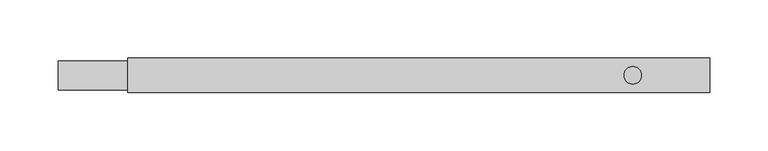
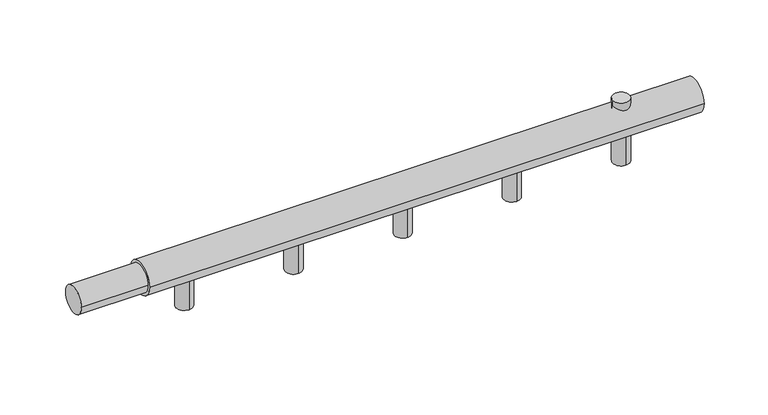
"""IFC4 building model written with IfcOpenShell, lengths in millimetres: proxy geometry."""

import ifcopenshell
import ifcopenshell.guid

model = None  # the IFC model being written
_history = None  # IfcOwnerHistory: only IFC2X3 demands one
_inside = {}  # id of a spatial element -> (the spatial element, [elements in it])
_under = {}  # id of a project, library or spatial element -> (it, [spatial elements below it])
_declared = {}  # id of a project -> (the project, [libraries it declares])
_typed = {}  # id of a type object -> (the type object, [elements of that type])
_made_of = {}  # id of a material, layer set ... -> (it, [elements and type objects made of it])


def new_model(schema):
    """Start an empty IFC model of exactly this schema.

    Asked for "IFC4X3", IfcOpenShell would pick the latest addendum, in which some entities
    have other attributes; the version numbers below select the first issue.
    IFC2X3 requires an IfcOwnerHistory on every rooted entity: one is made here for all.
    """
    global model, _history
    if schema == "IFC4X3":
        model = ifcopenshell.file(schema_version=(4, 3, 0, 0))
    else:
        model = ifcopenshell.file(schema=schema)
    _inside.clear()
    _under.clear()
    _declared.clear()
    _typed.clear()
    _made_of.clear()
    _history = None
    if model.schema == "IFC2X3":
        org = make("IfcOrganization", Name="unknown")
        user = make(
            "IfcPersonAndOrganization",
            ThePerson=make("IfcPerson", FamilyName="unknown"),
            TheOrganization=org,
        )
        app = make(
            "IfcApplication",
            ApplicationDeveloper=org,
            Version="unknown",
            ApplicationFullName="unknown",
            ApplicationIdentifier="unknown",
        )
        _history = make(
            "IfcOwnerHistory",
            OwningUser=user,
            OwningApplication=app,
            ChangeAction="ADDED",
            CreationDate=0,
        )
    return model


def make(cls, **values):
    """One entity of the class cls with the attributes given. An attribute that is None is left unset."""
    return model.create_entity(
        cls, **{name: value for name, value in values.items() if value is not None}
    )


def rooted(cls, **values):
    """An entity with a GlobalId (a new one), such as an element, a storey or a relation."""
    return make(cls, GlobalId=ifcopenshell.guid.new(), OwnerHistory=_history, **values)


def si_unit(unit_type, name, prefix=None):
    """IfcSIUnit, for example si_unit("LENGTHUNIT", "METRE", prefix="MILLI")."""
    return make("IfcSIUnit", UnitType=unit_type, Prefix=prefix, Name=name)


def assignment(units):
    """IfcUnitAssignment: the units of a project."""
    return None if units is None else make("IfcUnitAssignment", Units=units)


def point(xyz):
    """IfcCartesianPoint."""
    return None if xyz is None else make("IfcCartesianPoint", Coordinates=xyz)


def direction(xyz):
    """IfcDirection."""
    return None if xyz is None else make("IfcDirection", DirectionRatios=xyz)


def frame(location, z_axis=None, x_axis=None):
    """IfcAxis2Placement3D, a coordinate frame: its origin and axes. An axis left out is left unset."""
    return make(
        "IfcAxis2Placement3D",
        Location=point(location),
        Axis=direction(z_axis),
        RefDirection=direction(x_axis),
    )


def frame_2d(location, x_axis=None):
    """IfcAxis2Placement2D, a coordinate frame in the plane: its origin and x axis."""
    return make(
        "IfcAxis2Placement2D", Location=point(location), RefDirection=direction(x_axis)
    )


def origin():
    """The frame at (0, 0, 0) with its axes left unset."""
    return frame((0.0, 0.0, 0.0))


def origin_with_axes():
    """The frame at (0, 0, 0) with the z axis (0, 0, 1) and the x axis (1, 0, 0) written out."""
    return frame((0.0, 0.0, 0.0), z_axis=(0.0, 0.0, 1.0), x_axis=(1.0, 0.0, 0.0))


def origin_2d():
    """The frame at (0, 0) in the plane with its x axis left unset."""
    return frame_2d((0.0, 0.0))


def place(relative_to, where):
    """IfcLocalPlacement: puts the frame where relative to a parent placement (None: the world)."""
    return make(
        "IfcLocalPlacement", PlacementRelTo=relative_to, RelativePlacement=where
    )


def context(
    kind, dimensions, precision=None, world=None, true_north=None, identifier=None
):
    """IfcGeometricRepresentationContext, for example the 3D "Model" context."""
    return make(
        "IfcGeometricRepresentationContext",
        ContextIdentifier=identifier,
        ContextType=kind,
        CoordinateSpaceDimension=dimensions,
        Precision=precision,
        WorldCoordinateSystem=world,
        TrueNorth=true_north,
    )


def project(units=None, contexts=None):
    """IfcProject with its units and contexts."""
    return rooted(
        "IfcProject",
        Name="project",
        RepresentationContexts=contexts,
        UnitsInContext=assignment(units),
    )


def spatial(cls, under=None, at=None, **own):
    """A site, building, storey or space (cls), placed at a placement, below another one or the project."""
    s = rooted(cls, ObjectPlacement=at, **own)
    if under is not None:
        _under.setdefault(under.id(), (under, []))[1].append(s)
    return s


def circle_curve(where, radius):
    """IfcCircle in the frame where."""
    return make("IfcCircle", Position=where, Radius=radius)


def trimmed(basis, trim1, trim2, sense, master):
    """IfcTrimmedCurve: the piece of a basis curve between two trims."""
    return make(
        "IfcTrimmedCurve",
        BasisCurve=basis,
        Trim1=trim1,
        Trim2=trim2,
        SenseAgreement=sense,
        MasterRepresentation=master,
    )


def segment(curve, same_sense, transition):
    """IfcCompositeCurveSegment."""
    return make(
        "IfcCompositeCurveSegment",
        Transition=transition,
        SameSense=same_sense,
        ParentCurve=curve,
    )


def composite_curve(segments, self_intersect=None):
    """IfcCompositeCurve: segments joined end to end."""
    return make("IfcCompositeCurve", Segments=segments, SelfIntersect=self_intersect)


def outline(outer, holes=None, kind="AREA"):
    """IfcArbitraryClosedProfileDef: a profile drawn as a closed curve; with holes, ...WithVoids."""
    if holes is None:
        return make("IfcArbitraryClosedProfileDef", ProfileType=kind, OuterCurve=outer)
    return make(
        "IfcArbitraryProfileDefWithVoids",
        ProfileType=kind,
        OuterCurve=outer,
        InnerCurves=holes,
    )


def extrude(swept, where, along, depth):
    """IfcExtrudedAreaSolid: the profile swept, set in the frame where, extruded along a direction by depth."""
    return make(
        "IfcExtrudedAreaSolid",
        SweptArea=swept,
        Position=where,
        ExtrudedDirection=direction(along),
        Depth=depth,
    )


def shape(context_of_items, identifier, shape_type, items):
    """IfcShapeRepresentation: the items that make up one representation, for example the "Body"."""
    return make(
        "IfcShapeRepresentation",
        ContextOfItems=context_of_items,
        RepresentationIdentifier=identifier,
        RepresentationType=shape_type,
        Items=items,
    )


def source(mapping_origin, context_of_items, identifier, shape_type, items):
    """IfcRepresentationMap: a shape defined once, which mapped items show again and again."""
    return make(
        "IfcRepresentationMap",
        MappingOrigin=mapping_origin,
        MappedRepresentation=shape(context_of_items, identifier, shape_type, items),
    )


def transform(
    local_origin,
    x_axis=None,
    y_axis=None,
    z_axis=None,
    scale=None,
    scale2=None,
    scale3=None,
    uniform=True,
):
    """IfcCartesianTransformationOperator3D, or its non-uniform kind. x_axis, y_axis, z_axis: its Axis1, 2, 3."""
    if uniform:
        return make(
            "IfcCartesianTransformationOperator3D",
            Axis1=direction(x_axis),
            Axis2=direction(y_axis),
            LocalOrigin=point(local_origin),
            Scale=scale,
            Axis3=direction(z_axis),
        )
    return make(
        "IfcCartesianTransformationOperator3DnonUniform",
        Axis1=direction(x_axis),
        Axis2=direction(y_axis),
        LocalOrigin=point(local_origin),
        Scale=scale,
        Axis3=direction(z_axis),
        Scale2=scale2,
        Scale3=scale3,
    )


def mapped(mapping_source, mapping_target):
    """IfcMappedItem: shows the shape of a source again, moved by a transform."""
    return make(
        "IfcMappedItem", MappingSource=mapping_source, MappingTarget=mapping_target
    )


def made_of(thing, what):
    """Note that an element or type object is made of a material, layer set ...; save() writes the relation."""
    if what is not None:
        _made_of.setdefault(what.id(), (what, []))[1].append(thing)
    return thing


def element(
    cls,
    number,
    at=None,
    inside=None,
    cuts=None,
    type_object=None,
    material=None,
    context=None,
    identifier="Body",
    shape_type=None,
    held_by="IfcProductDefinitionShape",
    body=None,
    shapes=None,
    **own,
):
    """One element of the class cls, such as IfcWall. Its Tag is "e" and its number.

    at: its placement. inside: the storey or other place that contains it. cuts: it is an
    opening in that element (IfcRelVoidsElement). A single representation is given by context,
    identifier, shape_type and body (its items); several are given by shapes. held_by: the class
    of the entity that holds the representations. save() writes the other relations.
    """
    e = rooted(cls, Tag="e%d" % number, ObjectPlacement=at, **own)
    if body is not None:
        shapes = [shape(context, identifier, shape_type, body)]
    if shapes is not None:
        e.Representation = make(held_by, Representations=shapes)
    if inside is not None:
        _inside.setdefault(inside.id(), (inside, []))[1].append(e)
    if cuts is not None:
        rooted(
            "IfcRelVoidsElement", RelatingBuildingElement=cuts, RelatedOpeningElement=e
        )
    if type_object is not None:
        _typed.setdefault(type_object.id(), (type_object, []))[1].append(e)
    return made_of(e, material)


def aggregate(whole, parts):
    """IfcRelAggregates: a whole, such as a stair, and the parts it consists of."""
    return rooted("IfcRelAggregates", RelatingObject=whole, RelatedObjects=parts)


def save(model, path):
    """Write the relations noted so far, then the file.

    IfcRelAggregates (storeys below a building ...), IfcRelContainedInSpatialStructure (elements
    in a storey), IfcRelDefinesByType, IfcRelAssociatesMaterial and IfcRelDeclares: one each for
    every whole, place, type object, material and project.
    """
    for whole, parts in _under.values():
        aggregate(whole, parts)
    for where, things in _inside.values():
        rooted(
            "IfcRelContainedInSpatialStructure",
            RelatedElements=things,
            RelatingStructure=where,
        )
    for kind, things in _typed.values():
        rooted("IfcRelDefinesByType", RelatedObjects=things, RelatingType=kind)
    for what, things in _made_of.values():
        rooted("IfcRelAssociatesMaterial", RelatedObjects=things, RelatingMaterial=what)
    for by, libraries in _declared.values():
        rooted("IfcRelDeclares", RelatingContext=by, RelatedDefinitions=libraries)
    model.write(path)


def mechanical_equipment_c9eefbc4(model_context):
    return source(origin(), model_context, "Body", "SweptSolid", [
        extrude(outline(composite_curve([segment(trimmed(circle_curve(frame_2d((494.5454545, 0.0)), 7.5), [point((487.0454545, 0.0))], [point((502.0454545, 0.0))], False, "CARTESIAN"), True, "CONTINUOUS"), segment(trimmed(circle_curve(frame_2d((494.5454545, 0.0)), 7.5), [point((502.0454545, 0.0))], [point((487.0454545, 0.0))], False, "CARTESIAN"), True, "CONTINUOUS")], self_intersect=False)), origin_with_axes(), (0.0, 0.0, 1.0), 20.0),
        extrude(outline(composite_curve([segment(trimmed(circle_curve(origin_2d(), 12.5), [point((-12.5, 0.0))], [point((12.5, 0.0))], False, "CARTESIAN"), True, "CONTINUOUS"), segment(trimmed(circle_curve(origin_2d(), 12.5), [point((12.5, 0.0))], [point((-12.5, 0.0))], False, "CARTESIAN"), True, "CONTINUOUS")], self_intersect=False)), frame((0.0, 0.0, 0.0), z_axis=(1.0, 0.0, 0.0), x_axis=(0.0, 1.0, 0.0)), (0.0, 0.0, 1.0), 60.0),
        extrude(outline(composite_curve([segment(trimmed(circle_curve(origin_2d(), 15.0), [point((-15.0, 0.0))], [point((15.0, 0.0))], False, "CARTESIAN"), True, "CONTINUOUS"), segment(trimmed(circle_curve(origin_2d(), 15.0), [point((15.0, 0.0))], [point((-15.0, 0.0))], False, "CARTESIAN"), True, "CONTINUOUS")], self_intersect=False)), frame((60.0, 0.0, 0.0), z_axis=(1.0, 0.0, 0.0), x_axis=(0.0, 1.0, 0.0)), (0.0, 0.0, 1.0), 500.9090909),
        extrude(outline(composite_curve([segment(trimmed(circle_curve(frame_2d((494.5454545, 0.0)), 7.5), [point((494.5454545, 7.5))], [point((494.5454545, -7.5))], False, "CARTESIAN"), True, "CONTINUOUS"), segment(trimmed(circle_curve(frame_2d((494.5454545, 0.0)), 7.5), [point((494.5454545, -7.5))], [point((494.5454545, 7.5))], False, "CARTESIAN"), True, "CONTINUOUS")], self_intersect=False)), frame((0.0, 0.0, -40.0), z_axis=(0.0, 0.0, 1.0), x_axis=(1.0, 0.0, 0.0)), (0.0, 0.0, 1.0), 40.0),
        extrude(outline(composite_curve([segment(trimmed(circle_curve(frame_2d((395.9090909, 0.0)), 7.5), [point((395.9090909, 7.5))], [point((395.9090909, -7.5))], False, "CARTESIAN"), True, "CONTINUOUS"), segment(trimmed(circle_curve(frame_2d((395.9090909, 0.0)), 7.5), [point((395.9090909, -7.5))], [point((395.9090909, 7.5))], False, "CARTESIAN"), True, "CONTINUOUS")], self_intersect=False)), frame((0.0, 0.0, -40.0), z_axis=(0.0, 0.0, 1.0), x_axis=(1.0, 0.0, 0.0)), (0.0, 0.0, 1.0), 40.0),
        extrude(outline(composite_curve([segment(trimmed(circle_curve(frame_2d((297.2727273, 0.0)), 7.5), [point((297.2727273, 7.5))], [point((297.2727273, -7.5))], False, "CARTESIAN"), True, "CONTINUOUS"), segment(trimmed(circle_curve(frame_2d((297.2727273, 0.0)), 7.5), [point((297.2727273, -7.5))], [point((297.2727273, 7.5))], False, "CARTESIAN"), True, "CONTINUOUS")], self_intersect=False)), frame((0.0, 0.0, -40.0), z_axis=(0.0, 0.0, 1.0), x_axis=(1.0, 0.0, 0.0)), (0.0, 0.0, 1.0), 40.0),
        extrude(outline(composite_curve([segment(trimmed(circle_curve(frame_2d((198.6363636, 0.0)), 7.5), [point((198.6363636, 7.5))], [point((198.6363636, -7.5))], False, "CARTESIAN"), True, "CONTINUOUS"), segment(trimmed(circle_curve(frame_2d((198.6363636, 0.0)), 7.5), [point((198.6363636, -7.5))], [point((198.6363636, 7.5))], False, "CARTESIAN"), True, "CONTINUOUS")], self_intersect=False)), frame((0.0, 0.0, -40.0), z_axis=(0.0, 0.0, 1.0), x_axis=(1.0, 0.0, 0.0)), (0.0, 0.0, 1.0), 40.0),
        extrude(outline(composite_curve([segment(trimmed(circle_curve(frame_2d((100.0, 0.0)), 7.5), [point((100.0, 7.5))], [point((100.0, -7.5))], False, "CARTESIAN"), True, "CONTINUOUS"), segment(trimmed(circle_curve(frame_2d((100.0, 0.0)), 7.5), [point((100.0, -7.5))], [point((100.0, 7.5))], False, "CARTESIAN"), True, "CONTINUOUS")], self_intersect=False)), frame((0.0, 0.0, -40.0), z_axis=(0.0, 0.0, 1.0), x_axis=(1.0, 0.0, 0.0)), (0.0, 0.0, 1.0), 40.0),
    ])


if __name__ == "__main__":
    model = new_model("IFC4")
    model_context = context("Model", 3, world=origin())
    ifc_project = project(units=[si_unit("LENGTHUNIT", "METRE", prefix="MILLI")], contexts=[model_context])
    site = spatial("IfcSite", under=ifc_project)
    building = spatial("IfcBuilding", under=site)
    placement = place(None, origin())
    mechanical_equipment_shape = mechanical_equipment_c9eefbc4(model_context)
    element("IfcBuildingElementProxy", 1, Name="Mechanical Equipment", at=placement, inside=building, context=model_context, shape_type="MappedRepresentation", body=[
        mapped(mechanical_equipment_shape, transform((0.0, 0.0, 0.0), x_axis=(1.0, 0.0, 0.0), y_axis=(0.0, 1.0, 0.0), z_axis=(0.0, 0.0, 1.0))),
    ])
    save(model, "model.ifc")
